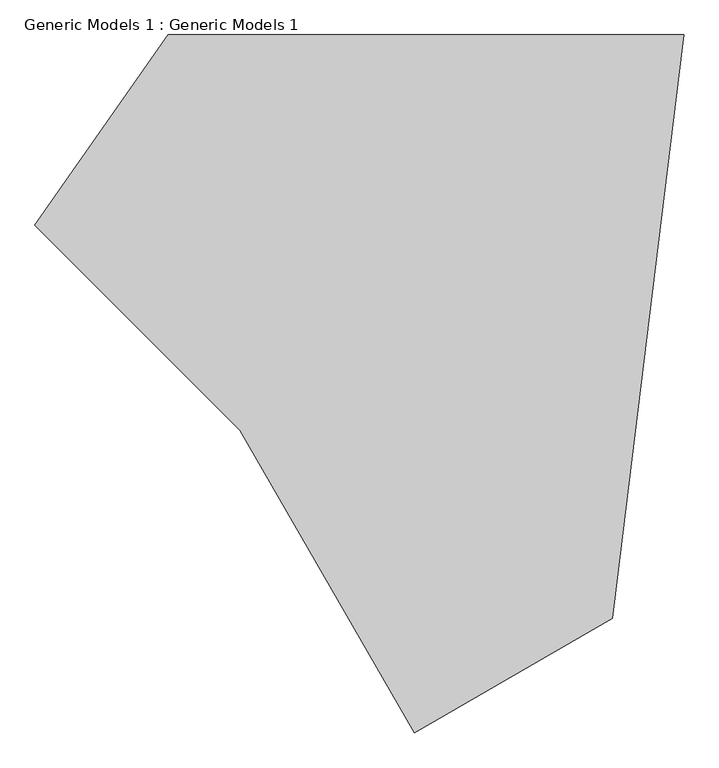
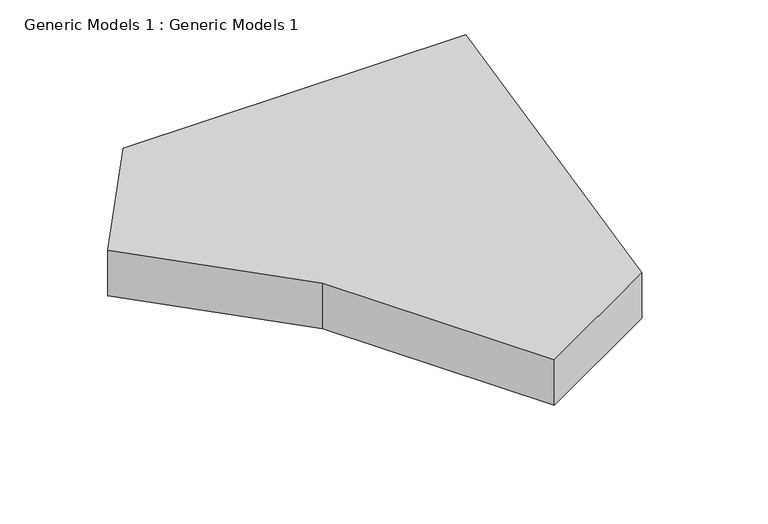
"""IFC4 building model written with IfcOpenShell, lengths in millimetres: proxy geometry, Generic Models 1 : Generic Models 1."""

from ifc_helpers import new_model, si_unit, origin, origin_with_axes, place, context, project, spatial, polyline, outline, extrude, source, transform, mapped, element, save


def generic_models_1_generic_models_1_d6782e2f(model_context):
    return source(origin(), model_context, "Body", "SweptSolid", [
        extrude(outline(polyline([(-1527.0023374, 1643.992001), (-2234.1091186, 2351.0987822), (-1775.2479695, 3006.4204176), (0.0, 3006.4204176), (-246.6571692, 997.5589824), (-927.0023374, 604.7615165), (-1527.0023374, 1643.992001)])), origin_with_axes(), (0.0, 0.0, 1.0), 250.0),
    ])


if __name__ == "__main__":
    model = new_model("IFC4")
    model_context = context("Model", 3, world=origin())
    ifc_project = project(units=[si_unit("LENGTHUNIT", "METRE", prefix="MILLI")], contexts=[model_context])
    site = spatial("IfcSite", under=ifc_project)
    building = spatial("IfcBuilding", under=site)
    placement = place(None, origin())
    generic_models_1_generic_models_1_shape = generic_models_1_generic_models_1_d6782e2f(model_context)
    element("IfcBuildingElementProxy", 1, Name="Generic Models 1 : Generic Models 1", ObjectType="Generic Models 1 : Generic Models 1", at=placement, inside=building, context=model_context, shape_type="MappedRepresentation", body=[
        mapped(generic_models_1_generic_models_1_shape, transform((0.0, 0.0, 0.0), x_axis=(1.0, 0.0, 0.0), y_axis=(0.0, 1.0, 0.0), z_axis=(0.0, 0.0, 1.0))),
    ])
    save(model, "model.ifc")
